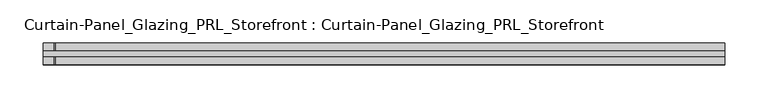
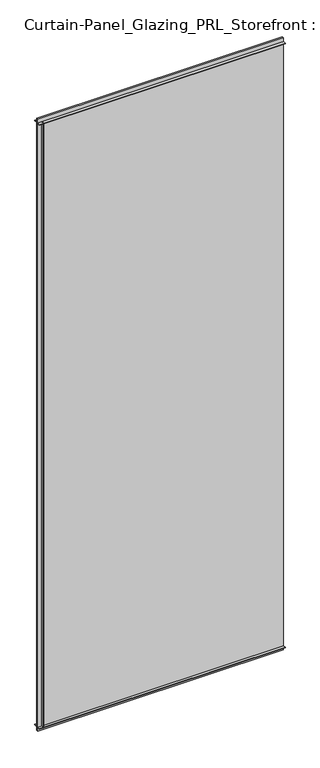
"""IFC4 building model written with IfcOpenShell, lengths in millimetres: plate geometry, Curtain-Panel_Glazing_PRL_Storefront : Curtain-Panel_Glazing_PRL_Storefront."""

import ifcopenshell
import ifcopenshell.guid

model = None  # the IFC model being written
_history = None  # IfcOwnerHistory: only IFC2X3 demands one
_inside = {}  # id of a spatial element -> (the spatial element, [elements in it])
_under = {}  # id of a project, library or spatial element -> (it, [spatial elements below it])
_declared = {}  # id of a project -> (the project, [libraries it declares])
_typed = {}  # id of a type object -> (the type object, [elements of that type])
_made_of = {}  # id of a material, layer set ... -> (it, [elements and type objects made of it])


def new_model(schema):
    """Start an empty IFC model of exactly this schema.

    Asked for "IFC4X3", IfcOpenShell would pick the latest addendum, in which some entities
    have other attributes; the version numbers below select the first issue.
    IFC2X3 requires an IfcOwnerHistory on every rooted entity: one is made here for all.
    """
    global model, _history
    if schema == "IFC4X3":
        model = ifcopenshell.file(schema_version=(4, 3, 0, 0))
    else:
        model = ifcopenshell.file(schema=schema)
    _inside.clear()
    _under.clear()
    _declared.clear()
    _typed.clear()
    _made_of.clear()
    _history = None
    if model.schema == "IFC2X3":
        org = make("IfcOrganization", Name="unknown")
        user = make(
            "IfcPersonAndOrganization",
            ThePerson=make("IfcPerson", FamilyName="unknown"),
            TheOrganization=org,
        )
        app = make(
            "IfcApplication",
            ApplicationDeveloper=org,
            Version="unknown",
            ApplicationFullName="unknown",
            ApplicationIdentifier="unknown",
        )
        _history = make(
            "IfcOwnerHistory",
            OwningUser=user,
            OwningApplication=app,
            ChangeAction="ADDED",
            CreationDate=0,
        )
    return model


def make(cls, **values):
    """One entity of the class cls with the attributes given. An attribute that is None is left unset."""
    return model.create_entity(
        cls, **{name: value for name, value in values.items() if value is not None}
    )


def rooted(cls, **values):
    """An entity with a GlobalId (a new one), such as an element, a storey or a relation."""
    return make(cls, GlobalId=ifcopenshell.guid.new(), OwnerHistory=_history, **values)


def si_unit(unit_type, name, prefix=None):
    """IfcSIUnit, for example si_unit("LENGTHUNIT", "METRE", prefix="MILLI")."""
    return make("IfcSIUnit", UnitType=unit_type, Prefix=prefix, Name=name)


def assignment(units):
    """IfcUnitAssignment: the units of a project."""
    return None if units is None else make("IfcUnitAssignment", Units=units)


def point(xyz):
    """IfcCartesianPoint."""
    return None if xyz is None else make("IfcCartesianPoint", Coordinates=xyz)


def direction(xyz):
    """IfcDirection."""
    return None if xyz is None else make("IfcDirection", DirectionRatios=xyz)


def frame(location, z_axis=None, x_axis=None):
    """IfcAxis2Placement3D, a coordinate frame: its origin and axes. An axis left out is left unset."""
    return make(
        "IfcAxis2Placement3D",
        Location=point(location),
        Axis=direction(z_axis),
        RefDirection=direction(x_axis),
    )


def origin():
    """The frame at (0, 0, 0) with its axes left unset."""
    return frame((0.0, 0.0, 0.0))


def origin_with_axes():
    """The frame at (0, 0, 0) with the z axis (0, 0, 1) and the x axis (1, 0, 0) written out."""
    return frame((0.0, 0.0, 0.0), z_axis=(0.0, 0.0, 1.0), x_axis=(1.0, 0.0, 0.0))


def place(relative_to, where):
    """IfcLocalPlacement: puts the frame where relative to a parent placement (None: the world)."""
    return make(
        "IfcLocalPlacement", PlacementRelTo=relative_to, RelativePlacement=where
    )


def context(
    kind, dimensions, precision=None, world=None, true_north=None, identifier=None
):
    """IfcGeometricRepresentationContext, for example the 3D "Model" context."""
    return make(
        "IfcGeometricRepresentationContext",
        ContextIdentifier=identifier,
        ContextType=kind,
        CoordinateSpaceDimension=dimensions,
        Precision=precision,
        WorldCoordinateSystem=world,
        TrueNorth=true_north,
    )


def project(units=None, contexts=None):
    """IfcProject with its units and contexts."""
    return rooted(
        "IfcProject",
        Name="project",
        RepresentationContexts=contexts,
        UnitsInContext=assignment(units),
    )


def spatial(cls, under=None, at=None, **own):
    """A site, building, storey or space (cls), placed at a placement, below another one or the project."""
    s = rooted(cls, ObjectPlacement=at, **own)
    if under is not None:
        _under.setdefault(under.id(), (under, []))[1].append(s)
    return s


def polyline(points):
    """IfcPolyline through the points."""
    return make("IfcPolyline", Points=[point(p) for p in points])


def outline(outer, holes=None, kind="AREA"):
    """IfcArbitraryClosedProfileDef: a profile drawn as a closed curve; with holes, ...WithVoids."""
    if holes is None:
        return make("IfcArbitraryClosedProfileDef", ProfileType=kind, OuterCurve=outer)
    return make(
        "IfcArbitraryProfileDefWithVoids",
        ProfileType=kind,
        OuterCurve=outer,
        InnerCurves=holes,
    )


def extrude(swept, where, along, depth):
    """IfcExtrudedAreaSolid: the profile swept, set in the frame where, extruded along a direction by depth."""
    return make(
        "IfcExtrudedAreaSolid",
        SweptArea=swept,
        Position=where,
        ExtrudedDirection=direction(along),
        Depth=depth,
    )


def shape(context_of_items, identifier, shape_type, items):
    """IfcShapeRepresentation: the items that make up one representation, for example the "Body"."""
    return make(
        "IfcShapeRepresentation",
        ContextOfItems=context_of_items,
        RepresentationIdentifier=identifier,
        RepresentationType=shape_type,
        Items=items,
    )


def source(mapping_origin, context_of_items, identifier, shape_type, items):
    """IfcRepresentationMap: a shape defined once, which mapped items show again and again."""
    return make(
        "IfcRepresentationMap",
        MappingOrigin=mapping_origin,
        MappedRepresentation=shape(context_of_items, identifier, shape_type, items),
    )


def transform(
    local_origin,
    x_axis=None,
    y_axis=None,
    z_axis=None,
    scale=None,
    scale2=None,
    scale3=None,
    uniform=True,
):
    """IfcCartesianTransformationOperator3D, or its non-uniform kind. x_axis, y_axis, z_axis: its Axis1, 2, 3."""
    if uniform:
        return make(
            "IfcCartesianTransformationOperator3D",
            Axis1=direction(x_axis),
            Axis2=direction(y_axis),
            LocalOrigin=point(local_origin),
            Scale=scale,
            Axis3=direction(z_axis),
        )
    return make(
        "IfcCartesianTransformationOperator3DnonUniform",
        Axis1=direction(x_axis),
        Axis2=direction(y_axis),
        LocalOrigin=point(local_origin),
        Scale=scale,
        Axis3=direction(z_axis),
        Scale2=scale2,
        Scale3=scale3,
    )


def mapped(mapping_source, mapping_target):
    """IfcMappedItem: shows the shape of a source again, moved by a transform."""
    return make(
        "IfcMappedItem", MappingSource=mapping_source, MappingTarget=mapping_target
    )


def made_of(thing, what):
    """Note that an element or type object is made of a material, layer set ...; save() writes the relation."""
    if what is not None:
        _made_of.setdefault(what.id(), (what, []))[1].append(thing)
    return thing


def element(
    cls,
    number,
    at=None,
    inside=None,
    cuts=None,
    type_object=None,
    material=None,
    context=None,
    identifier="Body",
    shape_type=None,
    held_by="IfcProductDefinitionShape",
    body=None,
    shapes=None,
    **own,
):
    """One element of the class cls, such as IfcWall. Its Tag is "e" and its number.

    at: its placement. inside: the storey or other place that contains it. cuts: it is an
    opening in that element (IfcRelVoidsElement). A single representation is given by context,
    identifier, shape_type and body (its items); several are given by shapes. held_by: the class
    of the entity that holds the representations. save() writes the other relations.
    """
    e = rooted(cls, Tag="e%d" % number, ObjectPlacement=at, **own)
    if body is not None:
        shapes = [shape(context, identifier, shape_type, body)]
    if shapes is not None:
        e.Representation = make(held_by, Representations=shapes)
    if inside is not None:
        _inside.setdefault(inside.id(), (inside, []))[1].append(e)
    if cuts is not None:
        rooted(
            "IfcRelVoidsElement", RelatingBuildingElement=cuts, RelatedOpeningElement=e
        )
    if type_object is not None:
        _typed.setdefault(type_object.id(), (type_object, []))[1].append(e)
    return made_of(e, material)


def aggregate(whole, parts):
    """IfcRelAggregates: a whole, such as a stair, and the parts it consists of."""
    return rooted("IfcRelAggregates", RelatingObject=whole, RelatedObjects=parts)


def save(model, path):
    """Write the relations noted so far, then the file.

    IfcRelAggregates (storeys below a building ...), IfcRelContainedInSpatialStructure (elements
    in a storey), IfcRelDefinesByType, IfcRelAssociatesMaterial and IfcRelDeclares: one each for
    every whole, place, type object, material and project.
    """
    for whole, parts in _under.values():
        aggregate(whole, parts)
    for where, things in _inside.values():
        rooted(
            "IfcRelContainedInSpatialStructure",
            RelatedElements=things,
            RelatingStructure=where,
        )
    for kind, things in _typed.values():
        rooted("IfcRelDefinesByType", RelatedObjects=things, RelatingType=kind)
    for what, things in _made_of.values():
        rooted("IfcRelAssociatesMaterial", RelatedObjects=things, RelatingMaterial=what)
    for by, libraries in _declared.values():
        rooted("IfcRelDeclares", RelatingContext=by, RelatedDefinitions=libraries)
    model.write(path)


def curtain_panel_glazing_prl_storefront_curtain_panel_glazing_3c8839b8(model_context):
    return source(origin(), model_context, "Body", "SweptSolid", [
        extrude(outline(polyline([(-384.7041667, -12.7), (-384.7041667, -3.175), (-383.1166667, -3.175), (-383.1166667, -12.7), (-384.7041667, -12.7)])), frame((0.0, 0.0, 12.7), z_axis=(0.0, 0.0, 1.0), x_axis=(1.0, 0.0, 0.0)), (0.0, 0.0, 1.0), 2056.60625),
        extrude(outline(polyline([(-384.7041667, 12.7), (-383.1166667, 12.7), (-383.1166667, 3.175), (-384.7041667, 3.175), (-384.7041667, 12.7)])), frame((0.0, 0.0, 12.7), z_axis=(0.0, 0.0, 1.0), x_axis=(1.0, 0.0, 0.0)), (0.0, 0.0, 1.0), 2056.60625),
        extrude(outline(polyline([(394.2291667, 3.175), (394.2291667, -3.175), (-397.4041667, -3.175), (-397.4041667, 3.175), (394.2291667, 3.175)])), origin_with_axes(), (0.0, 0.0, 1.0), 2082.00625),
        extrude(outline(polyline([(-397.4041667, -12.7), (-397.4041667, -3.175), (394.2291667, -3.175), (394.2291667, -12.7), (-397.4041667, -12.7)])), frame((0.0, 0.0, 2067.71875), z_axis=(0.0, 0.0, 1.0), x_axis=(1.0, 0.0, 0.0)), (0.0, 0.0, 1.0), 1.5875),
        extrude(outline(polyline([(-397.4041667, 12.7), (394.2291667, 12.7), (394.2291667, 3.175), (-397.4041667, 3.175), (-397.4041667, 12.7)])), frame((0.0, 0.0, 2067.71875), z_axis=(0.0, 0.0, 1.0), x_axis=(1.0, 0.0, 0.0)), (0.0, 0.0, 1.0), 1.5875),
        extrude(outline(polyline([(-397.4041667, -12.7), (-397.4041667, -3.175), (394.2291667, -3.175), (394.2291667, -12.7), (-397.4041667, -12.7)])), frame((0.0, 0.0, 12.7), z_axis=(0.0, 0.0, 1.0), x_axis=(1.0, 0.0, 0.0)), (0.0, 0.0, 1.0), 1.5875),
        extrude(outline(polyline([(-397.4041667, 12.7), (394.2291667, 12.7), (394.2291667, 3.175), (-397.4041667, 3.175), (-397.4041667, 12.7)])), frame((0.0, 0.0, 12.7), z_axis=(0.0, 0.0, 1.0), x_axis=(1.0, 0.0, 0.0)), (0.0, 0.0, 1.0), 1.5875),
    ])


if __name__ == "__main__":
    model = new_model("IFC4")
    model_context = context("Model", 3, world=origin())
    ifc_project = project(units=[si_unit("LENGTHUNIT", "METRE", prefix="MILLI")], contexts=[model_context])
    site = spatial("IfcSite", under=ifc_project)
    building = spatial("IfcBuilding", under=site)
    placement = place(None, origin())
    curtain_panel_glazing_prl_storefront_curtain_panel_glazing_shape = curtain_panel_glazing_prl_storefront_curtain_panel_glazing_3c8839b8(model_context)
    element("IfcPlate", 1, ObjectType="Curtain-Panel_Glazing_PRL_Storefront : Curtain-Panel_Glazing_PRL_Storefront", at=placement, inside=building, context=model_context, shape_type="MappedRepresentation", body=[
        mapped(curtain_panel_glazing_prl_storefront_curtain_panel_glazing_shape, transform((0.0, 0.0, 0.0), x_axis=(1.0, 0.0, 0.0), y_axis=(0.0, 1.0, 0.0), z_axis=(0.0, 0.0, 1.0))),
    ])
    save(model, "model.ifc")
